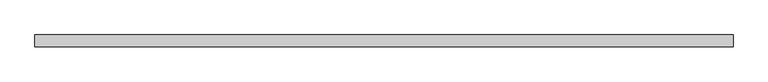
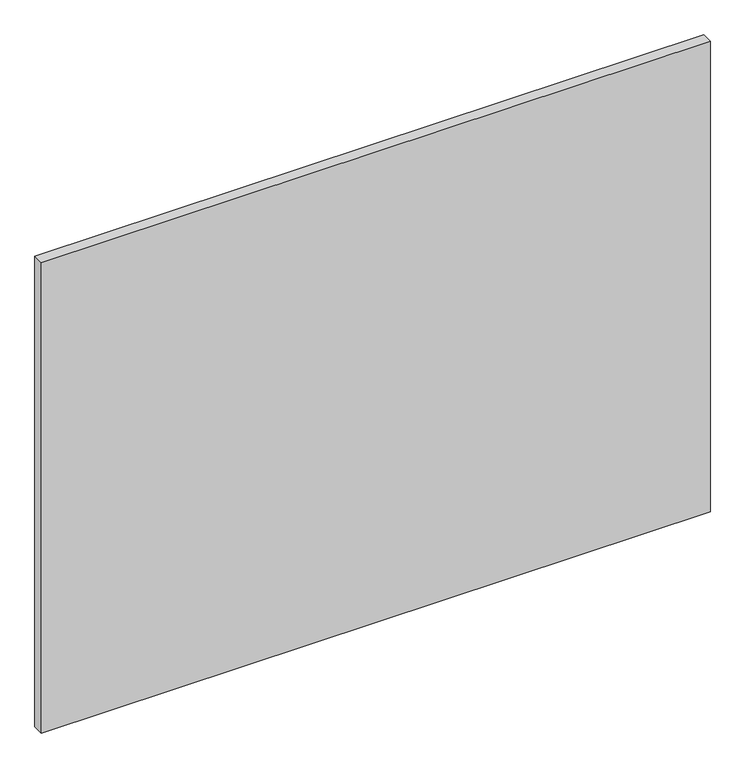
"""IFC4 building model written with IfcOpenShell, lengths in millimetres: furniture geometry."""

from ifc_helpers import new_model, si_unit, frame, origin, place, context, project, spatial, polyline, outline, extrude, source, transform, mapped, element, save


def furniture_e36a5110(model_context):
    return source(origin(), model_context, "Body", "SweptSolid", [
        extrude(outline(polyline([(0.59944, 44.5440062), (1218.5994553, 44.5440062), (1218.5994553, 23.9700054), (0.59944, 23.9700054), (0.59944, 44.5440062)])), frame((0.0, 0.0, 139.700003), z_axis=(0.0, 0.0, 1.0), x_axis=(1.0, 0.0, 0.0)), (0.0, 0.0, 1.0), 904.6999834),
    ])


if __name__ == "__main__":
    model = new_model("IFC4")
    model_context = context("Model", 3, world=origin())
    ifc_project = project(units=[si_unit("LENGTHUNIT", "METRE", prefix="MILLI")], contexts=[model_context])
    site = spatial("IfcSite", under=ifc_project)
    building = spatial("IfcBuilding", under=site)
    placement = place(None, origin())
    furniture_shape = furniture_e36a5110(model_context)
    element("IfcFurniture", 1, at=placement, inside=building, context=model_context, shape_type="MappedRepresentation", body=[
        mapped(furniture_shape, transform((0.0, 0.0, 0.0), x_axis=(1.0, 0.0, 0.0), y_axis=(0.0, 1.0, 0.0), z_axis=(0.0, 0.0, 1.0))),
    ])
    save(model, "model.ifc")
